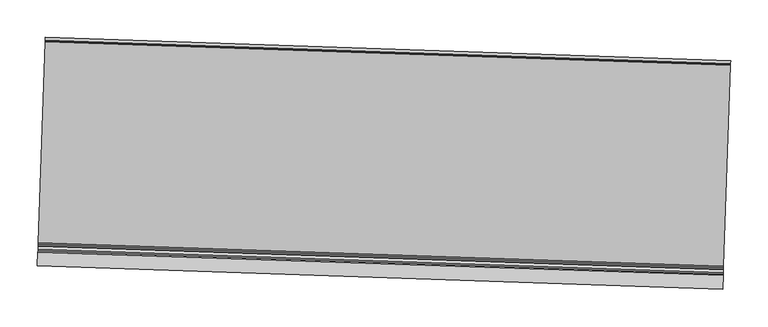
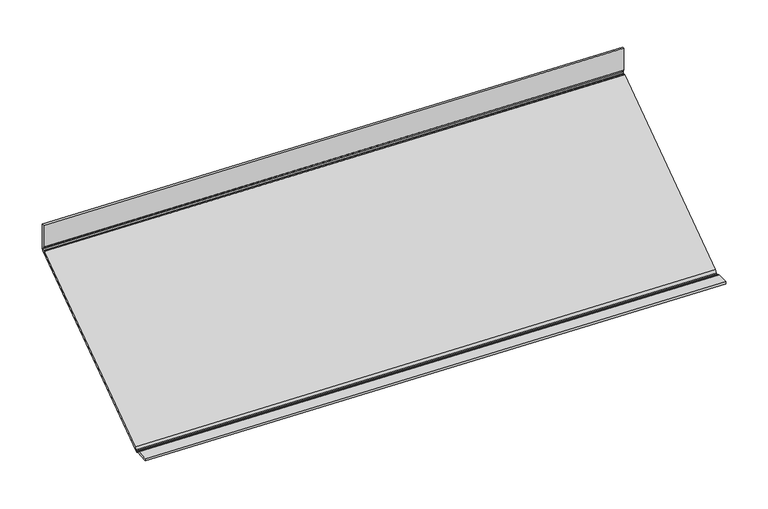
"""IFC4 building model written with IfcOpenShell, lengths in millimetres: proxy geometry."""

from ifc_helpers import new_model, si_unit, frame, origin, place, context, project, spatial, polyline, outline, extrude, source, transform, mapped, element, save


def generic_models_8f5459c5(model_context):
    return source(origin(), model_context, "Body", "SweptSolid", [
        extrude(outline(polyline([(0.0, 0.0), (257.7301281, -199.4621128), (257.7301281, -202.5765047), (265.8392713, -224.1776972), (262.1209391, -225.5735686), (255.7595775, -208.6281291), (256.9078938, -206.0975002), (256.23289, -204.2994205), (256.7174131, -199.8005041), (255.8338829, -199.7231681), (254.6095777, -198.2639406), (250.008401, -197.8612811), (0.6760784, -4.8983854), (0.7642027, -3.8911066), (-0.4601022, -2.4318793), (-0.3816024, -1.5350856), (-2.8077911, -1.2752267), (-3.2448594, -2.2369307), (-5.0284727, -2.9065037), (-5.8803971, -4.7810368), (-40.5224503, -17.7857526), (-41.7381782, -14.5472881), (-2.9870098, 0.0), (0.0, 0.0)])), frame((33451.5126823, -15123.5449083, 2924.0492044), z_axis=(0.9994149479092584, -0.03420178205202645, 6.522622303384296e-10), x_axis=(-0.012020347082833758, -0.35124822285630053, -0.9362052110495321)), (0.0, 0.0, 1.0), 914.4),
    ])


if __name__ == "__main__":
    model = new_model("IFC4")
    model_context = context("Model", 3, world=origin())
    ifc_project = project(units=[si_unit("LENGTHUNIT", "METRE", prefix="MILLI")], contexts=[model_context])
    site = spatial("IfcSite", under=ifc_project)
    building = spatial("IfcBuilding", under=site)
    placement = place(None, origin())
    generic_models_shape = generic_models_8f5459c5(model_context)
    element("IfcBuildingElementProxy", 1, Name="Generic Models", at=placement, inside=building, context=model_context, shape_type="MappedRepresentation", body=[
        mapped(generic_models_shape, transform((0.0, 0.0, 0.0), x_axis=(1.0, 0.0, 0.0), y_axis=(0.0, 1.0, 0.0), z_axis=(0.0, 0.0, 1.0))),
    ])
    save(model, "model.ifc")
